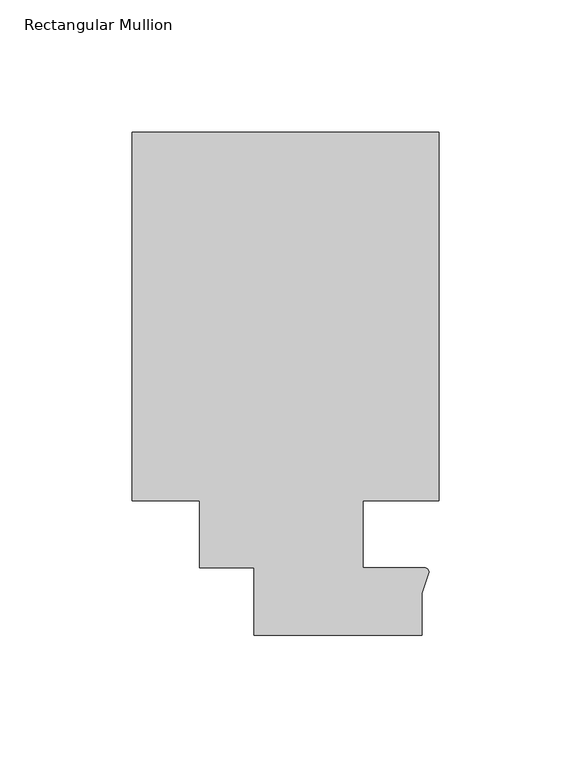
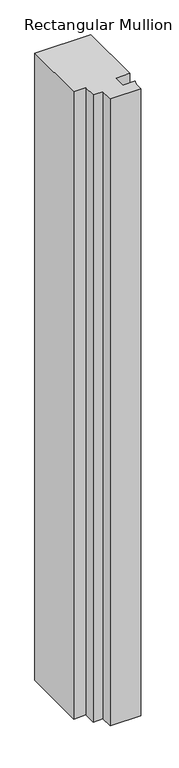
"""IFC4 building model written with IfcOpenShell, lengths in millimetres: member geometry, Rectangular Mullion."""

from ifc_helpers import new_model, si_unit, point, frame, frame_2d, origin, place, context, project, spatial, polyline, circle_curve, trimmed, segment, composite_curve, outline, extrude, source, transform, mapped, element, save


def rectangular_mullion_389f7ed9(model_context):
    return source(origin(), model_context, "Body", "SweptSolid", [
        extrude(outline(composite_curve([segment(trimmed(circle_curve(frame_2d((48.2162832, -14.401412)), 1.703369), [point((48.2997293, -12.7000881))], [point((49.9159011, -14.2884292))], False, "CARTESIAN"), True, "CONTINUOUS"), segment(polyline([(49.9159011, -14.2884292), (47.265046, -22.2250977), (47.265046, -38.1), (-16.234954, -38.1), (-16.234954, -12.7), (-36.8958768, -12.7), (-36.8958768, 12.7), (-62.2957636, 12.7), (-62.2957636, 151.892), (53.615046, 151.892), (53.615046, 12.7), (25.0401592, 12.7), (25.0401592, -12.7000881), (48.2997293, -12.7000881)]), True, "CONTINUOUS")], self_intersect=False)), frame((0.0, 0.0, -1373.6931847), z_axis=(0.0, 0.0, 1.0), x_axis=(1.0, 0.0, 0.0)), (0.0, 0.0, 1.0), 1373.6931847),
    ])


if __name__ == "__main__":
    model = new_model("IFC4")
    model_context = context("Model", 3, world=origin())
    ifc_project = project(units=[si_unit("LENGTHUNIT", "METRE", prefix="MILLI")], contexts=[model_context])
    site = spatial("IfcSite", under=ifc_project)
    building = spatial("IfcBuilding", under=site)
    placement = place(None, origin())
    rectangular_mullion_shape = rectangular_mullion_389f7ed9(model_context)
    element("IfcMember", 1, ObjectType="Rectangular Mullion", at=placement, inside=building, context=model_context, shape_type="MappedRepresentation", body=[
        mapped(rectangular_mullion_shape, transform((0.0, 0.0, 0.0), x_axis=(1.0, 0.0, 0.0), y_axis=(0.0, 1.0, 0.0), z_axis=(0.0, 0.0, 1.0))),
    ])
    save(model, "model.ifc")
